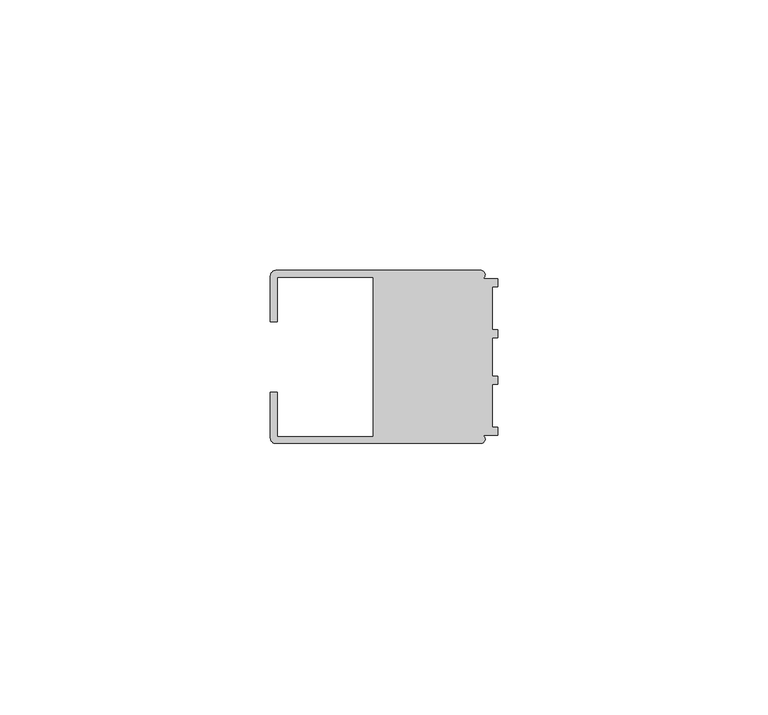
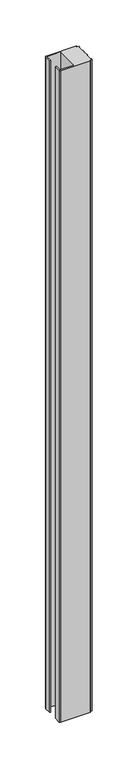
"""IFC4 building model written with IfcOpenShell, lengths in millimetres: member geometry."""

from ifc_helpers import new_model, si_unit, point, frame, frame_2d, origin, place, context, project, spatial, polyline, circle_curve, trimmed, segment, composite_curve, outline, extrude, source, transform, mapped, element, save


def member_3f9bd491(model_context):
    return source(origin(), model_context, "Body", "SweptSolid", [
        extrude(outline(composite_curve([segment(polyline([(-42.0, 6.5), (-42.0, 14.998921)]), True, "CONTINUOUS"), segment(trimmed(circle_curve(frame_2d((-40.998921, 14.998921)), 1.001079), [point((-42.0, 14.998921))], [point((-40.998921, 16.0))], False, "CARTESIAN"), True, "CONTINUOUS"), segment(polyline([(-40.998921, 16.0), (-3.1385263, 16.0)]), True, "CONTINUOUS"), segment(trimmed(circle_curve(frame_2d((-3.1117577, 15.2001372)), 0.8003107), [point((-3.1385263, 16.0))], [point((-2.7260256, 14.4989182))], False, "CARTESIAN"), True, "CONTINUOUS"), segment(polyline([(-2.7260256, 14.4989182), (0.0, 14.4989182), (0.0, 12.9993664), (-0.999267, 12.9993664), (-0.999267, 5.0000405), (0.0, 5.0000405), (0.0, 3.5386284), (-0.999267, 3.5009282), (-0.999267, -3.5009282), (0.0, -3.5398992), (0.0, -5.0013113), (-0.999267, -5.0013113), (-0.999267, -13.0002136), (0.0, -13.0002136), (0.0, -14.5004469), (-2.7237818, -14.5004469)]), True, "CONTINUOUS"), segment(trimmed(circle_curve(frame_2d((-3.1117213, -15.2000428)), 0.7999572), [point((-2.7237818, -14.5004469))], [point((-3.1117213, -16.0))], False, "CARTESIAN"), True, "CONTINUOUS"), segment(polyline([(-3.1117213, -16.0), (-40.9988146, -16.0)]), True, "CONTINUOUS"), segment(trimmed(circle_curve(frame_2d((-40.9988146, -14.9988146)), 1.0011854), [point((-40.9988146, -16.0))], [point((-42.0, -14.9988146))], False, "CARTESIAN"), True, "CONTINUOUS"), segment(polyline([(-42.0, -14.9988146), (-42.0, -6.5002542), (-40.7495396, -6.5002542), (-40.7495396, -14.7490791), (-23.0, -14.7490791), (-23.0, 14.748825), (-40.7495396, 14.748825), (-40.7495396, 6.5), (-42.0, 6.5)]), True, "CONTINUOUS")], self_intersect=False)), frame((0.0, 0.0, -876.0), z_axis=(0.0, 0.0, 1.0), x_axis=(1.0, 0.0, 0.0)), (0.0, 0.0, 1.0), 876.0),
    ])


if __name__ == "__main__":
    model = new_model("IFC4")
    model_context = context("Model", 3, world=origin())
    ifc_project = project(units=[si_unit("LENGTHUNIT", "METRE", prefix="MILLI")], contexts=[model_context])
    site = spatial("IfcSite", under=ifc_project)
    building = spatial("IfcBuilding", under=site)
    placement = place(None, origin())
    member_shape = member_3f9bd491(model_context)
    element("IfcMember", 1, at=placement, inside=building, context=model_context, shape_type="MappedRepresentation", body=[
        mapped(member_shape, transform((0.0, 0.0, 0.0), x_axis=(1.0, 0.0, 0.0), y_axis=(0.0, 1.0, 0.0), z_axis=(0.0, 0.0, 1.0))),
    ])
    save(model, "model.ifc")
